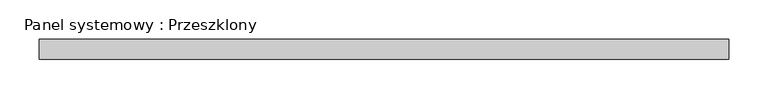
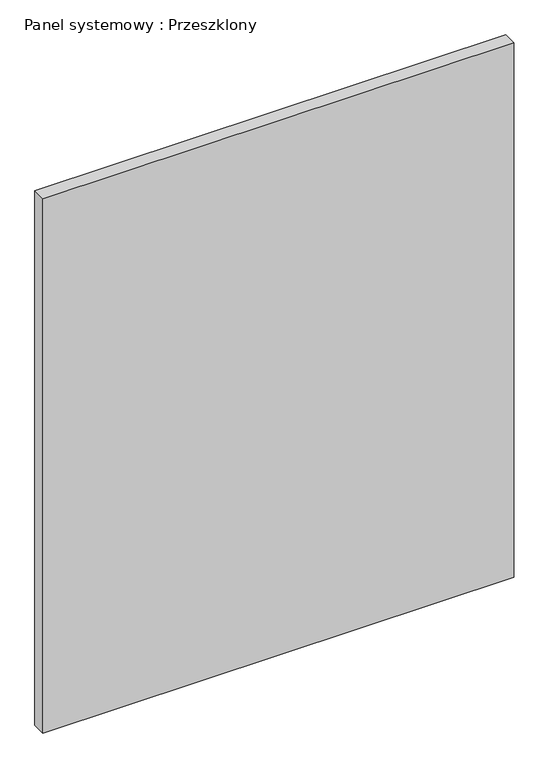
"""IFC4 building model written with IfcOpenShell, lengths in millimetres: plate geometry, Panel systemowy : Przeszklony."""

import ifcopenshell
import ifcopenshell.guid

model = None  # the IFC model being written
_history = None  # IfcOwnerHistory: only IFC2X3 demands one
_inside = {}  # id of a spatial element -> (the spatial element, [elements in it])
_under = {}  # id of a project, library or spatial element -> (it, [spatial elements below it])
_declared = {}  # id of a project -> (the project, [libraries it declares])
_typed = {}  # id of a type object -> (the type object, [elements of that type])
_made_of = {}  # id of a material, layer set ... -> (it, [elements and type objects made of it])


def new_model(schema):
    """Start an empty IFC model of exactly this schema.

    Asked for "IFC4X3", IfcOpenShell would pick the latest addendum, in which some entities
    have other attributes; the version numbers below select the first issue.
    IFC2X3 requires an IfcOwnerHistory on every rooted entity: one is made here for all.
    """
    global model, _history
    if schema == "IFC4X3":
        model = ifcopenshell.file(schema_version=(4, 3, 0, 0))
    else:
        model = ifcopenshell.file(schema=schema)
    _inside.clear()
    _under.clear()
    _declared.clear()
    _typed.clear()
    _made_of.clear()
    _history = None
    if model.schema == "IFC2X3":
        org = make("IfcOrganization", Name="unknown")
        user = make(
            "IfcPersonAndOrganization",
            ThePerson=make("IfcPerson", FamilyName="unknown"),
            TheOrganization=org,
        )
        app = make(
            "IfcApplication",
            ApplicationDeveloper=org,
            Version="unknown",
            ApplicationFullName="unknown",
            ApplicationIdentifier="unknown",
        )
        _history = make(
            "IfcOwnerHistory",
            OwningUser=user,
            OwningApplication=app,
            ChangeAction="ADDED",
            CreationDate=0,
        )
    return model


def make(cls, **values):
    """One entity of the class cls with the attributes given. An attribute that is None is left unset."""
    return model.create_entity(
        cls, **{name: value for name, value in values.items() if value is not None}
    )


def rooted(cls, **values):
    """An entity with a GlobalId (a new one), such as an element, a storey or a relation."""
    return make(cls, GlobalId=ifcopenshell.guid.new(), OwnerHistory=_history, **values)


def si_unit(unit_type, name, prefix=None):
    """IfcSIUnit, for example si_unit("LENGTHUNIT", "METRE", prefix="MILLI")."""
    return make("IfcSIUnit", UnitType=unit_type, Prefix=prefix, Name=name)


def assignment(units):
    """IfcUnitAssignment: the units of a project."""
    return None if units is None else make("IfcUnitAssignment", Units=units)


def point(xyz):
    """IfcCartesianPoint."""
    return None if xyz is None else make("IfcCartesianPoint", Coordinates=xyz)


def direction(xyz):
    """IfcDirection."""
    return None if xyz is None else make("IfcDirection", DirectionRatios=xyz)


def frame(location, z_axis=None, x_axis=None):
    """IfcAxis2Placement3D, a coordinate frame: its origin and axes. An axis left out is left unset."""
    return make(
        "IfcAxis2Placement3D",
        Location=point(location),
        Axis=direction(z_axis),
        RefDirection=direction(x_axis),
    )


def origin():
    """The frame at (0, 0, 0) with its axes left unset."""
    return frame((0.0, 0.0, 0.0))


def origin_with_axes():
    """The frame at (0, 0, 0) with the z axis (0, 0, 1) and the x axis (1, 0, 0) written out."""
    return frame((0.0, 0.0, 0.0), z_axis=(0.0, 0.0, 1.0), x_axis=(1.0, 0.0, 0.0))


def place(relative_to, where):
    """IfcLocalPlacement: puts the frame where relative to a parent placement (None: the world)."""
    return make(
        "IfcLocalPlacement", PlacementRelTo=relative_to, RelativePlacement=where
    )


def context(
    kind, dimensions, precision=None, world=None, true_north=None, identifier=None
):
    """IfcGeometricRepresentationContext, for example the 3D "Model" context."""
    return make(
        "IfcGeometricRepresentationContext",
        ContextIdentifier=identifier,
        ContextType=kind,
        CoordinateSpaceDimension=dimensions,
        Precision=precision,
        WorldCoordinateSystem=world,
        TrueNorth=true_north,
    )


def project(units=None, contexts=None):
    """IfcProject with its units and contexts."""
    return rooted(
        "IfcProject",
        Name="project",
        RepresentationContexts=contexts,
        UnitsInContext=assignment(units),
    )


def spatial(cls, under=None, at=None, **own):
    """A site, building, storey or space (cls), placed at a placement, below another one or the project."""
    s = rooted(cls, ObjectPlacement=at, **own)
    if under is not None:
        _under.setdefault(under.id(), (under, []))[1].append(s)
    return s


def polyline(points):
    """IfcPolyline through the points."""
    return make("IfcPolyline", Points=[point(p) for p in points])


def outline(outer, holes=None, kind="AREA"):
    """IfcArbitraryClosedProfileDef: a profile drawn as a closed curve; with holes, ...WithVoids."""
    if holes is None:
        return make("IfcArbitraryClosedProfileDef", ProfileType=kind, OuterCurve=outer)
    return make(
        "IfcArbitraryProfileDefWithVoids",
        ProfileType=kind,
        OuterCurve=outer,
        InnerCurves=holes,
    )


def extrude(swept, where, along, depth):
    """IfcExtrudedAreaSolid: the profile swept, set in the frame where, extruded along a direction by depth."""
    return make(
        "IfcExtrudedAreaSolid",
        SweptArea=swept,
        Position=where,
        ExtrudedDirection=direction(along),
        Depth=depth,
    )


def shape(context_of_items, identifier, shape_type, items):
    """IfcShapeRepresentation: the items that make up one representation, for example the "Body"."""
    return make(
        "IfcShapeRepresentation",
        ContextOfItems=context_of_items,
        RepresentationIdentifier=identifier,
        RepresentationType=shape_type,
        Items=items,
    )


def source(mapping_origin, context_of_items, identifier, shape_type, items):
    """IfcRepresentationMap: a shape defined once, which mapped items show again and again."""
    return make(
        "IfcRepresentationMap",
        MappingOrigin=mapping_origin,
        MappedRepresentation=shape(context_of_items, identifier, shape_type, items),
    )


def transform(
    local_origin,
    x_axis=None,
    y_axis=None,
    z_axis=None,
    scale=None,
    scale2=None,
    scale3=None,
    uniform=True,
):
    """IfcCartesianTransformationOperator3D, or its non-uniform kind. x_axis, y_axis, z_axis: its Axis1, 2, 3."""
    if uniform:
        return make(
            "IfcCartesianTransformationOperator3D",
            Axis1=direction(x_axis),
            Axis2=direction(y_axis),
            LocalOrigin=point(local_origin),
            Scale=scale,
            Axis3=direction(z_axis),
        )
    return make(
        "IfcCartesianTransformationOperator3DnonUniform",
        Axis1=direction(x_axis),
        Axis2=direction(y_axis),
        LocalOrigin=point(local_origin),
        Scale=scale,
        Axis3=direction(z_axis),
        Scale2=scale2,
        Scale3=scale3,
    )


def mapped(mapping_source, mapping_target):
    """IfcMappedItem: shows the shape of a source again, moved by a transform."""
    return make(
        "IfcMappedItem", MappingSource=mapping_source, MappingTarget=mapping_target
    )


def made_of(thing, what):
    """Note that an element or type object is made of a material, layer set ...; save() writes the relation."""
    if what is not None:
        _made_of.setdefault(what.id(), (what, []))[1].append(thing)
    return thing


def element(
    cls,
    number,
    at=None,
    inside=None,
    cuts=None,
    type_object=None,
    material=None,
    context=None,
    identifier="Body",
    shape_type=None,
    held_by="IfcProductDefinitionShape",
    body=None,
    shapes=None,
    **own,
):
    """One element of the class cls, such as IfcWall. Its Tag is "e" and its number.

    at: its placement. inside: the storey or other place that contains it. cuts: it is an
    opening in that element (IfcRelVoidsElement). A single representation is given by context,
    identifier, shape_type and body (its items); several are given by shapes. held_by: the class
    of the entity that holds the representations. save() writes the other relations.
    """
    e = rooted(cls, Tag="e%d" % number, ObjectPlacement=at, **own)
    if body is not None:
        shapes = [shape(context, identifier, shape_type, body)]
    if shapes is not None:
        e.Representation = make(held_by, Representations=shapes)
    if inside is not None:
        _inside.setdefault(inside.id(), (inside, []))[1].append(e)
    if cuts is not None:
        rooted(
            "IfcRelVoidsElement", RelatingBuildingElement=cuts, RelatedOpeningElement=e
        )
    if type_object is not None:
        _typed.setdefault(type_object.id(), (type_object, []))[1].append(e)
    return made_of(e, material)


def aggregate(whole, parts):
    """IfcRelAggregates: a whole, such as a stair, and the parts it consists of."""
    return rooted("IfcRelAggregates", RelatingObject=whole, RelatedObjects=parts)


def save(model, path):
    """Write the relations noted so far, then the file.

    IfcRelAggregates (storeys below a building ...), IfcRelContainedInSpatialStructure (elements
    in a storey), IfcRelDefinesByType, IfcRelAssociatesMaterial and IfcRelDeclares: one each for
    every whole, place, type object, material and project.
    """
    for whole, parts in _under.values():
        aggregate(whole, parts)
    for where, things in _inside.values():
        rooted(
            "IfcRelContainedInSpatialStructure",
            RelatedElements=things,
            RelatingStructure=where,
        )
    for kind, things in _typed.values():
        rooted("IfcRelDefinesByType", RelatedObjects=things, RelatingType=kind)
    for what, things in _made_of.values():
        rooted("IfcRelAssociatesMaterial", RelatedObjects=things, RelatingMaterial=what)
    for by, libraries in _declared.values():
        rooted("IfcRelDeclares", RelatingContext=by, RelatedDefinitions=libraries)
    model.write(path)


def panel_systemowy_przeszklony_89a70a1d(model_context):
    return source(origin(), model_context, "Body", "SweptSolid", [
        extrude(outline(polyline([(437.5, 24.5), (-437.5, 24.5), (-437.5, 49.5), (437.5, 49.5), (437.5, 24.5)])), origin_with_axes(), (0.0, 0.0, 1.0), 1050.0),
    ])


if __name__ == "__main__":
    model = new_model("IFC4")
    model_context = context("Model", 3, world=origin())
    ifc_project = project(units=[si_unit("LENGTHUNIT", "METRE", prefix="MILLI")], contexts=[model_context])
    site = spatial("IfcSite", under=ifc_project)
    building = spatial("IfcBuilding", under=site)
    placement = place(None, origin())
    panel_systemowy_przeszklony_shape = panel_systemowy_przeszklony_89a70a1d(model_context)
    element("IfcPlate", 1, ObjectType="Panel systemowy : Przeszklony", at=placement, inside=building, context=model_context, shape_type="MappedRepresentation", body=[
        mapped(panel_systemowy_przeszklony_shape, transform((0.0, 0.0, 0.0), x_axis=(1.0, 0.0, 0.0), y_axis=(0.0, 1.0, 0.0), z_axis=(0.0, 0.0, 1.0))),
    ])
    save(model, "model.ifc")
